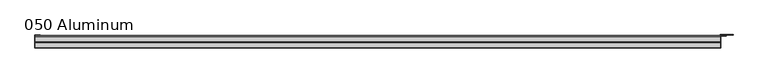
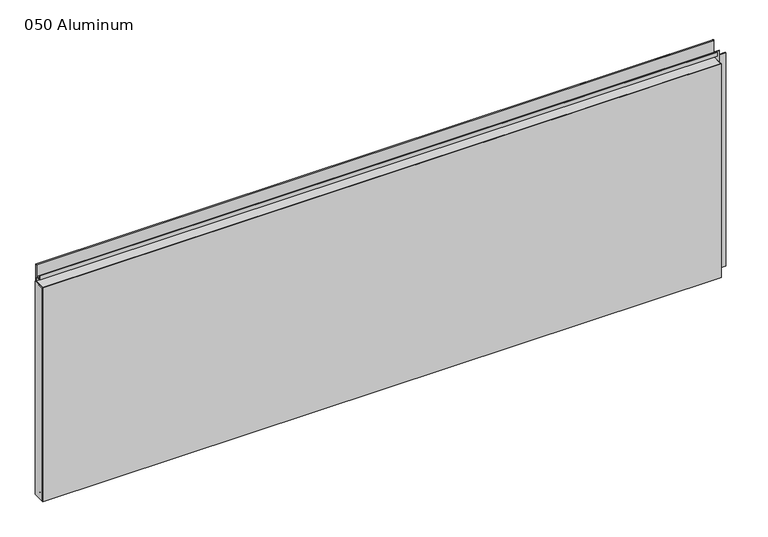
"""IFC4 building model written with IfcOpenShell, lengths in millimetres: plate geometry, 050 Aluminum."""

from ifc_helpers import new_model, si_unit, point, frame, frame_2d, origin, origin_with_axes, place, context, project, spatial, polyline, circle_curve, trimmed, segment, composite_curve, outline, extrude, source, transform, mapped, element, save


def plate_050_aluminum_62b2a6cd(model_context):
    return source(origin(), model_context, "Body", "SweptSolid", [
        extrude(outline(polyline([(-919.48, -2.5660257), (-919.48, -34.7980001), (-920.7499999, -34.7980001), (-920.7499999, -1.2699999), (-906.5894994, -1.2699999), (-906.5894994, -2.5660257), (-919.48, -2.5660257)])), origin_with_axes(), (0.0, 0.0, 1.0), 608.33),
        extrude(outline(composite_curve([segment(polyline([(-16.6765477, 13.1458337), (-16.6765477, 2.786437), (-17.9464915, 2.786437), (-17.9464915, 13.1323356)]), True, "CONTINUOUS"), segment(trimmed(circle_curve(frame_2d((-19.8514743, 13.124237)), 1.905), [point((-17.9464915, 13.1323356))], [point((-21.7564743, 13.124237))], True, "CARTESIAN"), True, "CONTINUOUS"), segment(polyline([(-21.7564743, 13.124237), (-21.7564743, 0.0), (-34.7980002, 0.0), (-34.7980002, 1.2693678), (-23.0264743, 1.2693678), (-23.0264743, 13.124237)]), True, "CONTINUOUS"), segment(trimmed(circle_curve(frame_2d((-19.8514743, 13.124237)), 3.175), [point((-23.0264743, 13.124237))], [point((-16.6765477, 13.1458337))], False, "CARTESIAN"), True, "CONTINUOUS")], self_intersect=False)), frame((-919.48, 0.0, 0.0), z_axis=(1.0, 0.0, 0.0), x_axis=(0.0, 1.0, 0.0)), (0.0, 0.0, 1.0), 1826.26),
        extrude(outline(composite_curve([segment(polyline([(-2.0574743, 656.7932001), (-2.0574743, 608.33), (-34.7980002, 608.33), (-34.7980002, 609.6000001), (-3.3274743, 609.6000001), (-3.3274743, 656.7932001)]), True, "CONTINUOUS"), segment(trimmed(circle_curve(frame_2d((-3.7084742, 656.7932001)), 0.3809999), [point((-3.3274743, 656.7932001))], [point((-4.0894742, 656.7932001))], True, "CARTESIAN"), True, "CONTINUOUS"), segment(polyline([(-4.0894742, 656.7932001), (-4.0894742, 622.3), (-20.4864742, 622.3), (-20.4864742, 633.6538), (-19.2164743, 633.6538), (-19.2164743, 623.57), (-5.3594742, 623.57), (-5.3594742, 656.7932001)]), True, "CONTINUOUS"), segment(trimmed(circle_curve(frame_2d((-3.7084742, 656.7932001)), 1.6509999), [point((-5.3594742, 656.7932001))], [point((-2.0574743, 656.7932001))], False, "CARTESIAN"), True, "CONTINUOUS")], self_intersect=False)), frame((-919.48, 0.0, 0.0), z_axis=(1.0, 0.0, 0.0), x_axis=(0.0, 1.0, 0.0)), (0.0, 0.0, 1.0), 1826.26),
        extrude(outline(polyline([(-920.75, -36.068), (-920.75, -34.7980001), (908.05, -34.7980001), (908.05, -36.068), (-920.75, -36.068)])), origin_with_axes(), (0.0, 0.0, 1.0), 609.6),
        extrude(outline(polyline([(908.05, -1.2699999), (908.05, -34.7980002), (906.7800001, -34.7980002), (906.7800001, 0.0), (940.5620856, 0.0), (940.5620856, -1.2699999), (908.05, -1.2699999)])), origin_with_axes(), (0.0, 0.0, 1.0), 608.33),
        extrude(outline(polyline([(906.78, -3.3274743), (906.78, -2.0574743), (922.5279999, -2.0574743), (922.5279999, -3.3274743), (906.78, -3.3274743)])), origin_with_axes(), (0.0, 0.0, 1.0), 622.3),
    ])


if __name__ == "__main__":
    model = new_model("IFC4")
    model_context = context("Model", 3, world=origin())
    ifc_project = project(units=[si_unit("LENGTHUNIT", "METRE", prefix="MILLI")], contexts=[model_context])
    site = spatial("IfcSite", under=ifc_project)
    building = spatial("IfcBuilding", under=site)
    placement = place(None, origin())
    plate_050_aluminum_shape = plate_050_aluminum_62b2a6cd(model_context)
    element("IfcPlate", 1, ObjectType="050 Aluminum", at=placement, inside=building, context=model_context, shape_type="MappedRepresentation", body=[
        mapped(plate_050_aluminum_shape, transform((0.0, 0.0, 0.0), x_axis=(1.0, 0.0, 0.0), y_axis=(0.0, 1.0, 0.0), z_axis=(0.0, 0.0, 1.0))),
    ])
    save(model, "model.ifc")
